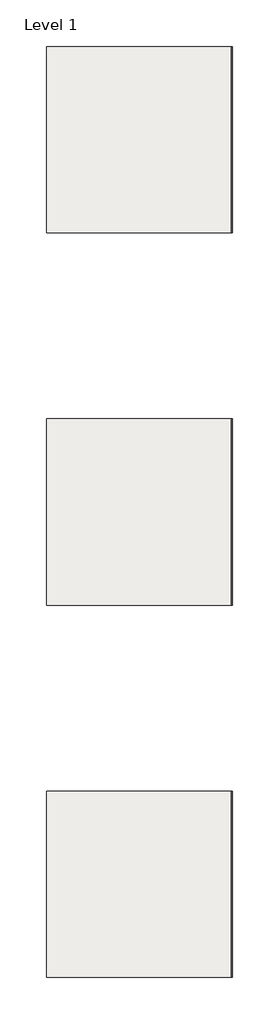
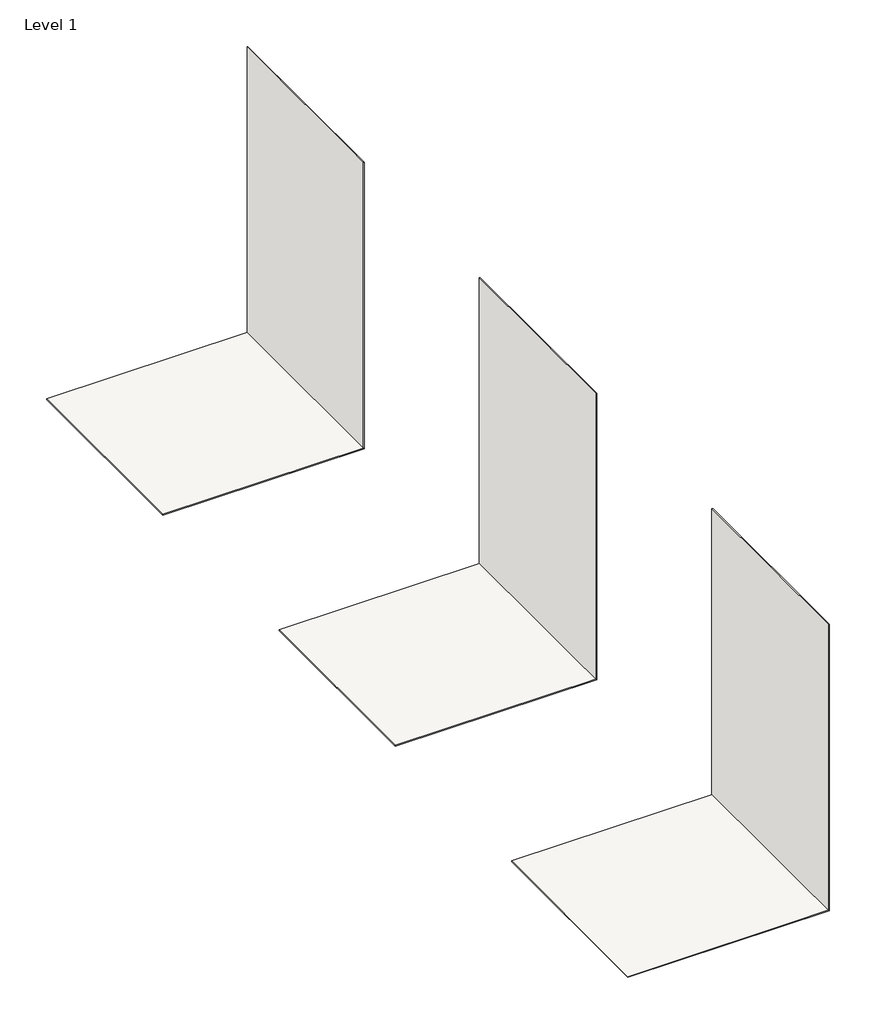
# One storey: 6 coverings.
"""IFC4 building model written with IfcOpenShell, lengths in millimetres."""

from ifc_helpers import new_model, si_unit, frame, origin, origin_with_axes, place, context, project, spatial, polyline, outline, extrude, element, save

model = new_model("IFC4")

# Units and contexts
model_context = context("Model", 3, world=origin())
ifc_project = project(units=[si_unit("LENGTHUNIT", "METRE", prefix="MILLI")], contexts=[model_context])

# Site, building, storey
site = spatial("IfcSite", under=ifc_project)
building = spatial("IfcBuilding", under=site)
storey = spatial("IfcBuildingStorey", under=building, Name="Level 1", Elevation=0.0)

# Coverings
placement = place(None, origin())
element("IfcCovering", 1, at=placement, inside=storey, context=model_context, shape_type="SweptSolid", body=[
    extrude(outline(polyline([(3527.0774266, -4501.9826748), (1527.0774266, -4501.9826748), (1527.0774266, -2501.9826748), (3527.0774266, -2501.9826748), (3527.0774266, -4501.9826748)])), frame((0.0, 0.0, -10.0), z_axis=(0.0, 0.0, 1.0), x_axis=(1.0, 0.0, 0.0)), (0.0, 0.0, 1.0), 10.0),
])
element("IfcCovering", 2, at=placement, inside=storey, context=model_context, shape_type="SweptSolid", body=[
    extrude(outline(polyline([(3517.0774266, -4501.9826748), (3517.0774266, -2501.9826748), (3527.0774266, -2501.9826748), (3527.0774266, -4501.9826748), (3517.0774266, -4501.9826748)])), origin_with_axes(), (0.0, 0.0, 1.0), 3000.0),
])
element("IfcCovering", 3, at=placement, inside=storey, context=model_context, shape_type="SweptSolid", body=[
    extrude(outline(polyline([(3527.0774266, -501.9826748), (1527.0774266, -501.9826748), (1527.0774266, 1498.0173252), (3527.0774266, 1498.0173252), (3527.0774266, -501.9826748)])), frame((0.0, 0.0, -10.0), z_axis=(0.0, 0.0, 1.0), x_axis=(1.0, 0.0, 0.0)), (0.0, 0.0, 1.0), 10.0),
])
element("IfcCovering", 4, at=placement, inside=storey, context=model_context, shape_type="SweptSolid", body=[
    extrude(outline(polyline([(3517.0774266, -501.9826748), (3517.0774266, 1498.0173252), (3527.0774266, 1498.0173252), (3527.0774266, -501.9826748), (3517.0774266, -501.9826748)])), origin_with_axes(), (0.0, 0.0, 1.0), 3000.0),
])
element("IfcCovering", 5, at=placement, inside=storey, context=model_context, shape_type="SweptSolid", body=[
    extrude(outline(polyline([(3527.0774266, 3498.0173252), (1527.0774266, 3498.0173252), (1527.0774266, 5498.0173252), (3527.0774266, 5498.0173252), (3527.0774266, 3498.0173252)])), frame((0.0, 0.0, -8.0), z_axis=(0.0, 0.0, 1.0), x_axis=(1.0, 0.0, 0.0)), (0.0, 0.0, 1.0), 8.0),
])
element("IfcCovering", 6, at=placement, inside=storey, context=model_context, shape_type="SweptSolid", body=[
    extrude(outline(polyline([(3519.0774266, 3498.0173252), (3519.0774266, 5498.0173252), (3527.0774266, 5498.0173252), (3527.0774266, 3498.0173252), (3519.0774266, 3498.0173252)])), origin_with_axes(), (0.0, 0.0, 1.0), 3000.0),
])

save(model, "model.ifc")
